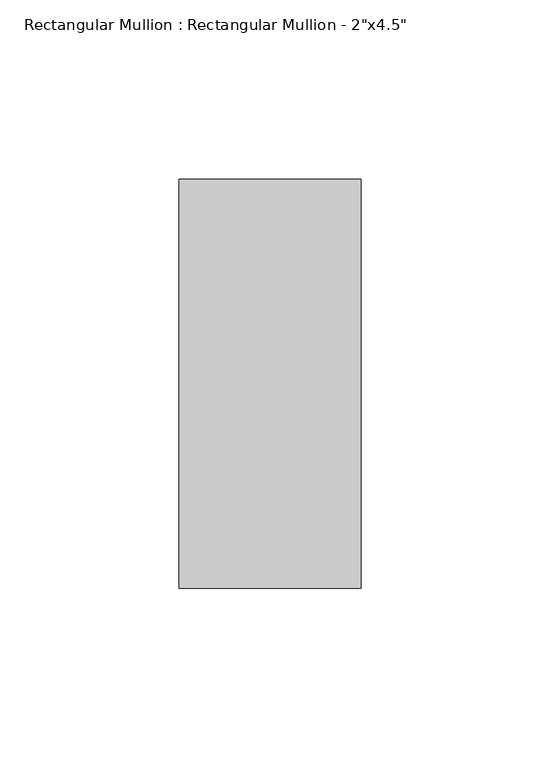
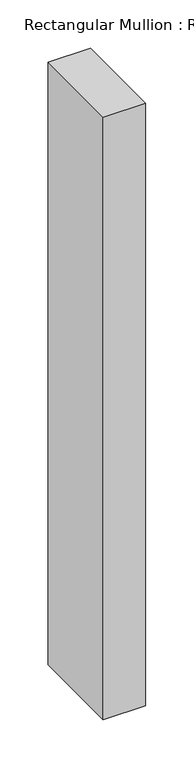
"""IFC4 building model written with IfcOpenShell, lengths in millimetres: member geometry."""

from ifc_helpers import new_model, si_unit, frame, origin, place, context, project, spatial, polyline, outline, extrude, source, transform, mapped, element, save


def member_6062f531(model_context):
    return source(origin(), model_context, "Body", "SweptSolid", [
        extrude(outline(polyline([(25.4, 57.15), (25.4, -57.15), (-25.4, -57.15), (-25.4, 57.15), (25.4, 57.15)])), frame((0.0, 0.0, -762.0), z_axis=(0.0, 0.0, 1.0), x_axis=(1.0, 0.0, 0.0)), (0.0, 0.0, 1.0), 762.0),
    ])


if __name__ == "__main__":
    model = new_model("IFC4")
    model_context = context("Model", 3, world=origin())
    ifc_project = project(units=[si_unit("LENGTHUNIT", "METRE", prefix="MILLI")], contexts=[model_context])
    site = spatial("IfcSite", under=ifc_project)
    building = spatial("IfcBuilding", under=site)
    placement = place(None, origin())
    member_shape = member_6062f531(model_context)
    element("IfcMember", 1, ObjectType="Rectangular Mullion : Rectangular Mullion - 2\"x4.5\"", at=placement, inside=building, context=model_context, shape_type="MappedRepresentation", body=[
        mapped(member_shape, transform((0.0, 0.0, 0.0), x_axis=(1.0, 0.0, 0.0), y_axis=(0.0, 1.0, 0.0), z_axis=(0.0, 0.0, 1.0))),
    ])
    save(model, "model.ifc")
